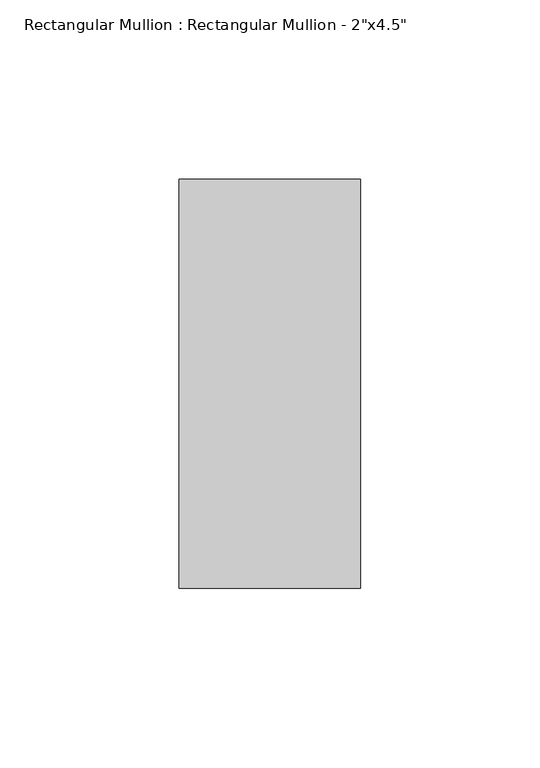
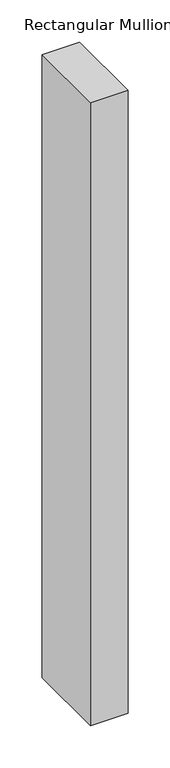
"""IFC4 building model written with IfcOpenShell, lengths in millimetres: member geometry."""

import ifcopenshell
import ifcopenshell.guid

model = None  # the IFC model being written
_history = None  # IfcOwnerHistory: only IFC2X3 demands one
_inside = {}  # id of a spatial element -> (the spatial element, [elements in it])
_under = {}  # id of a project, library or spatial element -> (it, [spatial elements below it])
_declared = {}  # id of a project -> (the project, [libraries it declares])
_typed = {}  # id of a type object -> (the type object, [elements of that type])
_made_of = {}  # id of a material, layer set ... -> (it, [elements and type objects made of it])


def new_model(schema):
    """Start an empty IFC model of exactly this schema.

    Asked for "IFC4X3", IfcOpenShell would pick the latest addendum, in which some entities
    have other attributes; the version numbers below select the first issue.
    IFC2X3 requires an IfcOwnerHistory on every rooted entity: one is made here for all.
    """
    global model, _history
    if schema == "IFC4X3":
        model = ifcopenshell.file(schema_version=(4, 3, 0, 0))
    else:
        model = ifcopenshell.file(schema=schema)
    _inside.clear()
    _under.clear()
    _declared.clear()
    _typed.clear()
    _made_of.clear()
    _history = None
    if model.schema == "IFC2X3":
        org = make("IfcOrganization", Name="unknown")
        user = make(
            "IfcPersonAndOrganization",
            ThePerson=make("IfcPerson", FamilyName="unknown"),
            TheOrganization=org,
        )
        app = make(
            "IfcApplication",
            ApplicationDeveloper=org,
            Version="unknown",
            ApplicationFullName="unknown",
            ApplicationIdentifier="unknown",
        )
        _history = make(
            "IfcOwnerHistory",
            OwningUser=user,
            OwningApplication=app,
            ChangeAction="ADDED",
            CreationDate=0,
        )
    return model


def make(cls, **values):
    """One entity of the class cls with the attributes given. An attribute that is None is left unset."""
    return model.create_entity(
        cls, **{name: value for name, value in values.items() if value is not None}
    )


def rooted(cls, **values):
    """An entity with a GlobalId (a new one), such as an element, a storey or a relation."""
    return make(cls, GlobalId=ifcopenshell.guid.new(), OwnerHistory=_history, **values)


def si_unit(unit_type, name, prefix=None):
    """IfcSIUnit, for example si_unit("LENGTHUNIT", "METRE", prefix="MILLI")."""
    return make("IfcSIUnit", UnitType=unit_type, Prefix=prefix, Name=name)


def assignment(units):
    """IfcUnitAssignment: the units of a project."""
    return None if units is None else make("IfcUnitAssignment", Units=units)


def point(xyz):
    """IfcCartesianPoint."""
    return None if xyz is None else make("IfcCartesianPoint", Coordinates=xyz)


def direction(xyz):
    """IfcDirection."""
    return None if xyz is None else make("IfcDirection", DirectionRatios=xyz)


def frame(location, z_axis=None, x_axis=None):
    """IfcAxis2Placement3D, a coordinate frame: its origin and axes. An axis left out is left unset."""
    return make(
        "IfcAxis2Placement3D",
        Location=point(location),
        Axis=direction(z_axis),
        RefDirection=direction(x_axis),
    )


def origin():
    """The frame at (0, 0, 0) with its axes left unset."""
    return frame((0.0, 0.0, 0.0))


def place(relative_to, where):
    """IfcLocalPlacement: puts the frame where relative to a parent placement (None: the world)."""
    return make(
        "IfcLocalPlacement", PlacementRelTo=relative_to, RelativePlacement=where
    )


def context(
    kind, dimensions, precision=None, world=None, true_north=None, identifier=None
):
    """IfcGeometricRepresentationContext, for example the 3D "Model" context."""
    return make(
        "IfcGeometricRepresentationContext",
        ContextIdentifier=identifier,
        ContextType=kind,
        CoordinateSpaceDimension=dimensions,
        Precision=precision,
        WorldCoordinateSystem=world,
        TrueNorth=true_north,
    )


def project(units=None, contexts=None):
    """IfcProject with its units and contexts."""
    return rooted(
        "IfcProject",
        Name="project",
        RepresentationContexts=contexts,
        UnitsInContext=assignment(units),
    )


def spatial(cls, under=None, at=None, **own):
    """A site, building, storey or space (cls), placed at a placement, below another one or the project."""
    s = rooted(cls, ObjectPlacement=at, **own)
    if under is not None:
        _under.setdefault(under.id(), (under, []))[1].append(s)
    return s


def polyline(points):
    """IfcPolyline through the points."""
    return make("IfcPolyline", Points=[point(p) for p in points])


def outline(outer, holes=None, kind="AREA"):
    """IfcArbitraryClosedProfileDef: a profile drawn as a closed curve; with holes, ...WithVoids."""
    if holes is None:
        return make("IfcArbitraryClosedProfileDef", ProfileType=kind, OuterCurve=outer)
    return make(
        "IfcArbitraryProfileDefWithVoids",
        ProfileType=kind,
        OuterCurve=outer,
        InnerCurves=holes,
    )


def extrude(swept, where, along, depth):
    """IfcExtrudedAreaSolid: the profile swept, set in the frame where, extruded along a direction by depth."""
    return make(
        "IfcExtrudedAreaSolid",
        SweptArea=swept,
        Position=where,
        ExtrudedDirection=direction(along),
        Depth=depth,
    )


def shape(context_of_items, identifier, shape_type, items):
    """IfcShapeRepresentation: the items that make up one representation, for example the "Body"."""
    return make(
        "IfcShapeRepresentation",
        ContextOfItems=context_of_items,
        RepresentationIdentifier=identifier,
        RepresentationType=shape_type,
        Items=items,
    )


def source(mapping_origin, context_of_items, identifier, shape_type, items):
    """IfcRepresentationMap: a shape defined once, which mapped items show again and again."""
    return make(
        "IfcRepresentationMap",
        MappingOrigin=mapping_origin,
        MappedRepresentation=shape(context_of_items, identifier, shape_type, items),
    )


def transform(
    local_origin,
    x_axis=None,
    y_axis=None,
    z_axis=None,
    scale=None,
    scale2=None,
    scale3=None,
    uniform=True,
):
    """IfcCartesianTransformationOperator3D, or its non-uniform kind. x_axis, y_axis, z_axis: its Axis1, 2, 3."""
    if uniform:
        return make(
            "IfcCartesianTransformationOperator3D",
            Axis1=direction(x_axis),
            Axis2=direction(y_axis),
            LocalOrigin=point(local_origin),
            Scale=scale,
            Axis3=direction(z_axis),
        )
    return make(
        "IfcCartesianTransformationOperator3DnonUniform",
        Axis1=direction(x_axis),
        Axis2=direction(y_axis),
        LocalOrigin=point(local_origin),
        Scale=scale,
        Axis3=direction(z_axis),
        Scale2=scale2,
        Scale3=scale3,
    )


def mapped(mapping_source, mapping_target):
    """IfcMappedItem: shows the shape of a source again, moved by a transform."""
    return make(
        "IfcMappedItem", MappingSource=mapping_source, MappingTarget=mapping_target
    )


def made_of(thing, what):
    """Note that an element or type object is made of a material, layer set ...; save() writes the relation."""
    if what is not None:
        _made_of.setdefault(what.id(), (what, []))[1].append(thing)
    return thing


def element(
    cls,
    number,
    at=None,
    inside=None,
    cuts=None,
    type_object=None,
    material=None,
    context=None,
    identifier="Body",
    shape_type=None,
    held_by="IfcProductDefinitionShape",
    body=None,
    shapes=None,
    **own,
):
    """One element of the class cls, such as IfcWall. Its Tag is "e" and its number.

    at: its placement. inside: the storey or other place that contains it. cuts: it is an
    opening in that element (IfcRelVoidsElement). A single representation is given by context,
    identifier, shape_type and body (its items); several are given by shapes. held_by: the class
    of the entity that holds the representations. save() writes the other relations.
    """
    e = rooted(cls, Tag="e%d" % number, ObjectPlacement=at, **own)
    if body is not None:
        shapes = [shape(context, identifier, shape_type, body)]
    if shapes is not None:
        e.Representation = make(held_by, Representations=shapes)
    if inside is not None:
        _inside.setdefault(inside.id(), (inside, []))[1].append(e)
    if cuts is not None:
        rooted(
            "IfcRelVoidsElement", RelatingBuildingElement=cuts, RelatedOpeningElement=e
        )
    if type_object is not None:
        _typed.setdefault(type_object.id(), (type_object, []))[1].append(e)
    return made_of(e, material)


def aggregate(whole, parts):
    """IfcRelAggregates: a whole, such as a stair, and the parts it consists of."""
    return rooted("IfcRelAggregates", RelatingObject=whole, RelatedObjects=parts)


def save(model, path):
    """Write the relations noted so far, then the file.

    IfcRelAggregates (storeys below a building ...), IfcRelContainedInSpatialStructure (elements
    in a storey), IfcRelDefinesByType, IfcRelAssociatesMaterial and IfcRelDeclares: one each for
    every whole, place, type object, material and project.
    """
    for whole, parts in _under.values():
        aggregate(whole, parts)
    for where, things in _inside.values():
        rooted(
            "IfcRelContainedInSpatialStructure",
            RelatedElements=things,
            RelatingStructure=where,
        )
    for kind, things in _typed.values():
        rooted("IfcRelDefinesByType", RelatedObjects=things, RelatingType=kind)
    for what, things in _made_of.values():
        rooted("IfcRelAssociatesMaterial", RelatedObjects=things, RelatingMaterial=what)
    for by, libraries in _declared.values():
        rooted("IfcRelDeclares", RelatingContext=by, RelatedDefinitions=libraries)
    model.write(path)


def member_eb83c919(model_context):
    return source(origin(), model_context, "Body", "SweptSolid", [
        extrude(outline(polyline([(25.4, 57.15), (25.4, -57.15), (-25.4, -57.15), (-25.4, 57.15), (25.4, 57.15)])), frame((0.0, 0.0, -897.4666667), z_axis=(0.0, 0.0, 1.0), x_axis=(1.0, 0.0, 0.0)), (0.0, 0.0, 1.0), 897.4666667),
    ])


if __name__ == "__main__":
    model = new_model("IFC4")
    model_context = context("Model", 3, world=origin())
    ifc_project = project(units=[si_unit("LENGTHUNIT", "METRE", prefix="MILLI")], contexts=[model_context])
    site = spatial("IfcSite", under=ifc_project)
    building = spatial("IfcBuilding", under=site)
    placement = place(None, origin())
    member_shape = member_eb83c919(model_context)
    element("IfcMember", 1, ObjectType="Rectangular Mullion : Rectangular Mullion - 2\"x4.5\"", at=placement, inside=building, context=model_context, shape_type="MappedRepresentation", body=[
        mapped(member_shape, transform((0.0, 0.0, 0.0), x_axis=(1.0, 0.0, 0.0), y_axis=(0.0, 1.0, 0.0), z_axis=(0.0, 0.0, 1.0))),
    ])
    save(model, "model.ifc")
